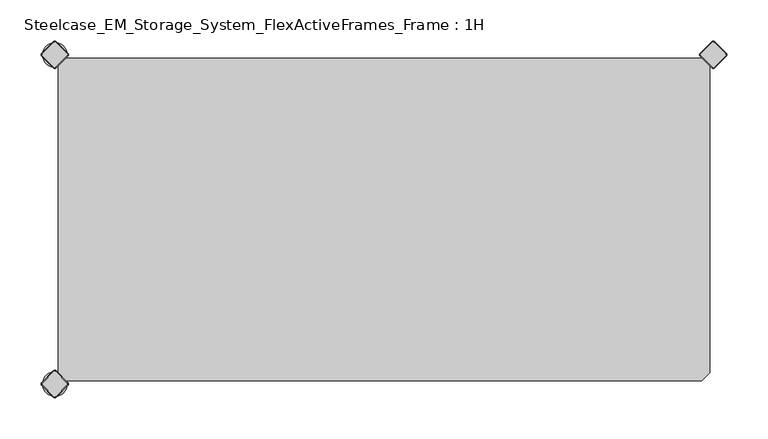
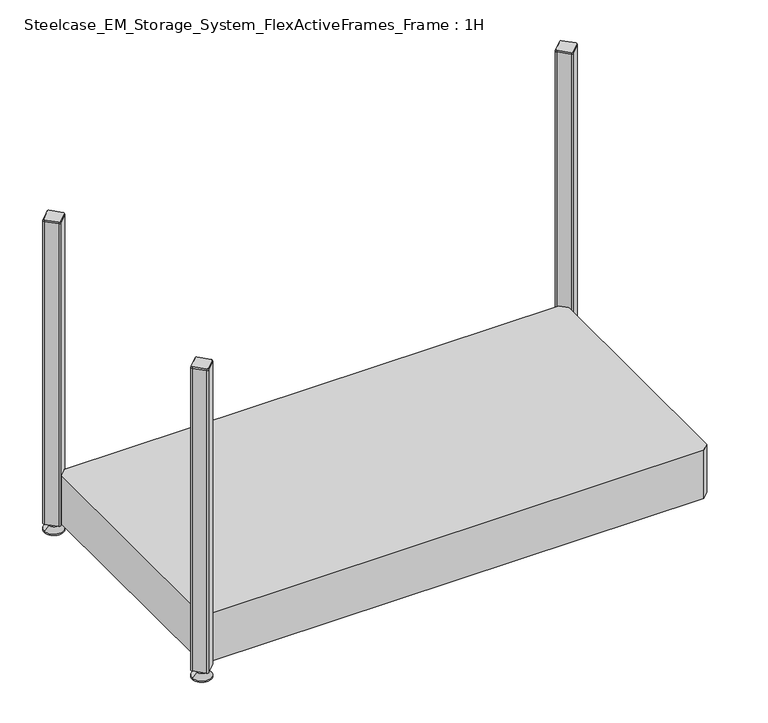
"""IFC4 building model written with IfcOpenShell, lengths in millimetres: furniture geometry, Steelcase_EM_Storage_System_FlexActiveFrames_Frame : 1H."""

import ifcopenshell
import ifcopenshell.guid

model = None  # the IFC model being written
_history = None  # IfcOwnerHistory: only IFC2X3 demands one
_inside = {}  # id of a spatial element -> (the spatial element, [elements in it])
_under = {}  # id of a project, library or spatial element -> (it, [spatial elements below it])
_declared = {}  # id of a project -> (the project, [libraries it declares])
_typed = {}  # id of a type object -> (the type object, [elements of that type])
_made_of = {}  # id of a material, layer set ... -> (it, [elements and type objects made of it])


def new_model(schema):
    """Start an empty IFC model of exactly this schema.

    Asked for "IFC4X3", IfcOpenShell would pick the latest addendum, in which some entities
    have other attributes; the version numbers below select the first issue.
    IFC2X3 requires an IfcOwnerHistory on every rooted entity: one is made here for all.
    """
    global model, _history
    if schema == "IFC4X3":
        model = ifcopenshell.file(schema_version=(4, 3, 0, 0))
    else:
        model = ifcopenshell.file(schema=schema)
    _inside.clear()
    _under.clear()
    _declared.clear()
    _typed.clear()
    _made_of.clear()
    _history = None
    if model.schema == "IFC2X3":
        org = make("IfcOrganization", Name="unknown")
        user = make(
            "IfcPersonAndOrganization",
            ThePerson=make("IfcPerson", FamilyName="unknown"),
            TheOrganization=org,
        )
        app = make(
            "IfcApplication",
            ApplicationDeveloper=org,
            Version="unknown",
            ApplicationFullName="unknown",
            ApplicationIdentifier="unknown",
        )
        _history = make(
            "IfcOwnerHistory",
            OwningUser=user,
            OwningApplication=app,
            ChangeAction="ADDED",
            CreationDate=0,
        )
    return model


def make(cls, **values):
    """One entity of the class cls with the attributes given. An attribute that is None is left unset."""
    return model.create_entity(
        cls, **{name: value for name, value in values.items() if value is not None}
    )


def rooted(cls, **values):
    """An entity with a GlobalId (a new one), such as an element, a storey or a relation."""
    return make(cls, GlobalId=ifcopenshell.guid.new(), OwnerHistory=_history, **values)


def si_unit(unit_type, name, prefix=None):
    """IfcSIUnit, for example si_unit("LENGTHUNIT", "METRE", prefix="MILLI")."""
    return make("IfcSIUnit", UnitType=unit_type, Prefix=prefix, Name=name)


def assignment(units):
    """IfcUnitAssignment: the units of a project."""
    return None if units is None else make("IfcUnitAssignment", Units=units)


def point(xyz):
    """IfcCartesianPoint."""
    return None if xyz is None else make("IfcCartesianPoint", Coordinates=xyz)


def direction(xyz):
    """IfcDirection."""
    return None if xyz is None else make("IfcDirection", DirectionRatios=xyz)


def frame(location, z_axis=None, x_axis=None):
    """IfcAxis2Placement3D, a coordinate frame: its origin and axes. An axis left out is left unset."""
    return make(
        "IfcAxis2Placement3D",
        Location=point(location),
        Axis=direction(z_axis),
        RefDirection=direction(x_axis),
    )


def frame_2d(location, x_axis=None):
    """IfcAxis2Placement2D, a coordinate frame in the plane: its origin and x axis."""
    return make(
        "IfcAxis2Placement2D", Location=point(location), RefDirection=direction(x_axis)
    )


def origin():
    """The frame at (0, 0, 0) with its axes left unset."""
    return frame((0.0, 0.0, 0.0))


def place(relative_to, where):
    """IfcLocalPlacement: puts the frame where relative to a parent placement (None: the world)."""
    return make(
        "IfcLocalPlacement", PlacementRelTo=relative_to, RelativePlacement=where
    )


def context(
    kind, dimensions, precision=None, world=None, true_north=None, identifier=None
):
    """IfcGeometricRepresentationContext, for example the 3D "Model" context."""
    return make(
        "IfcGeometricRepresentationContext",
        ContextIdentifier=identifier,
        ContextType=kind,
        CoordinateSpaceDimension=dimensions,
        Precision=precision,
        WorldCoordinateSystem=world,
        TrueNorth=true_north,
    )


def project(units=None, contexts=None):
    """IfcProject with its units and contexts."""
    return rooted(
        "IfcProject",
        Name="project",
        RepresentationContexts=contexts,
        UnitsInContext=assignment(units),
    )


def spatial(cls, under=None, at=None, **own):
    """A site, building, storey or space (cls), placed at a placement, below another one or the project."""
    s = rooted(cls, ObjectPlacement=at, **own)
    if under is not None:
        _under.setdefault(under.id(), (under, []))[1].append(s)
    return s


def polyline(points):
    """IfcPolyline through the points."""
    return make("IfcPolyline", Points=[point(p) for p in points])


def circle_curve(where, radius):
    """IfcCircle in the frame where."""
    return make("IfcCircle", Position=where, Radius=radius)


def trimmed(basis, trim1, trim2, sense, master):
    """IfcTrimmedCurve: the piece of a basis curve between two trims."""
    return make(
        "IfcTrimmedCurve",
        BasisCurve=basis,
        Trim1=trim1,
        Trim2=trim2,
        SenseAgreement=sense,
        MasterRepresentation=master,
    )


def segment(curve, same_sense, transition):
    """IfcCompositeCurveSegment."""
    return make(
        "IfcCompositeCurveSegment",
        Transition=transition,
        SameSense=same_sense,
        ParentCurve=curve,
    )


def composite_curve(segments, self_intersect=None):
    """IfcCompositeCurve: segments joined end to end."""
    return make("IfcCompositeCurve", Segments=segments, SelfIntersect=self_intersect)


def outline(outer, holes=None, kind="AREA"):
    """IfcArbitraryClosedProfileDef: a profile drawn as a closed curve; with holes, ...WithVoids."""
    if holes is None:
        return make("IfcArbitraryClosedProfileDef", ProfileType=kind, OuterCurve=outer)
    return make(
        "IfcArbitraryProfileDefWithVoids",
        ProfileType=kind,
        OuterCurve=outer,
        InnerCurves=holes,
    )


def extrude(swept, where, along, depth):
    """IfcExtrudedAreaSolid: the profile swept, set in the frame where, extruded along a direction by depth."""
    return make(
        "IfcExtrudedAreaSolid",
        SweptArea=swept,
        Position=where,
        ExtrudedDirection=direction(along),
        Depth=depth,
    )


def shape(context_of_items, identifier, shape_type, items):
    """IfcShapeRepresentation: the items that make up one representation, for example the "Body"."""
    return make(
        "IfcShapeRepresentation",
        ContextOfItems=context_of_items,
        RepresentationIdentifier=identifier,
        RepresentationType=shape_type,
        Items=items,
    )


def source(mapping_origin, context_of_items, identifier, shape_type, items):
    """IfcRepresentationMap: a shape defined once, which mapped items show again and again."""
    return make(
        "IfcRepresentationMap",
        MappingOrigin=mapping_origin,
        MappedRepresentation=shape(context_of_items, identifier, shape_type, items),
    )


def transform(
    local_origin,
    x_axis=None,
    y_axis=None,
    z_axis=None,
    scale=None,
    scale2=None,
    scale3=None,
    uniform=True,
):
    """IfcCartesianTransformationOperator3D, or its non-uniform kind. x_axis, y_axis, z_axis: its Axis1, 2, 3."""
    if uniform:
        return make(
            "IfcCartesianTransformationOperator3D",
            Axis1=direction(x_axis),
            Axis2=direction(y_axis),
            LocalOrigin=point(local_origin),
            Scale=scale,
            Axis3=direction(z_axis),
        )
    return make(
        "IfcCartesianTransformationOperator3DnonUniform",
        Axis1=direction(x_axis),
        Axis2=direction(y_axis),
        LocalOrigin=point(local_origin),
        Scale=scale,
        Axis3=direction(z_axis),
        Scale2=scale2,
        Scale3=scale3,
    )


def mapped(mapping_source, mapping_target):
    """IfcMappedItem: shows the shape of a source again, moved by a transform."""
    return make(
        "IfcMappedItem", MappingSource=mapping_source, MappingTarget=mapping_target
    )


def made_of(thing, what):
    """Note that an element or type object is made of a material, layer set ...; save() writes the relation."""
    if what is not None:
        _made_of.setdefault(what.id(), (what, []))[1].append(thing)
    return thing


def element(
    cls,
    number,
    at=None,
    inside=None,
    cuts=None,
    type_object=None,
    material=None,
    context=None,
    identifier="Body",
    shape_type=None,
    held_by="IfcProductDefinitionShape",
    body=None,
    shapes=None,
    **own,
):
    """One element of the class cls, such as IfcWall. Its Tag is "e" and its number.

    at: its placement. inside: the storey or other place that contains it. cuts: it is an
    opening in that element (IfcRelVoidsElement). A single representation is given by context,
    identifier, shape_type and body (its items); several are given by shapes. held_by: the class
    of the entity that holds the representations. save() writes the other relations.
    """
    e = rooted(cls, Tag="e%d" % number, ObjectPlacement=at, **own)
    if body is not None:
        shapes = [shape(context, identifier, shape_type, body)]
    if shapes is not None:
        e.Representation = make(held_by, Representations=shapes)
    if inside is not None:
        _inside.setdefault(inside.id(), (inside, []))[1].append(e)
    if cuts is not None:
        rooted(
            "IfcRelVoidsElement", RelatingBuildingElement=cuts, RelatedOpeningElement=e
        )
    if type_object is not None:
        _typed.setdefault(type_object.id(), (type_object, []))[1].append(e)
    return made_of(e, material)


def aggregate(whole, parts):
    """IfcRelAggregates: a whole, such as a stair, and the parts it consists of."""
    return rooted("IfcRelAggregates", RelatingObject=whole, RelatedObjects=parts)


def save(model, path):
    """Write the relations noted so far, then the file.

    IfcRelAggregates (storeys below a building ...), IfcRelContainedInSpatialStructure (elements
    in a storey), IfcRelDefinesByType, IfcRelAssociatesMaterial and IfcRelDeclares: one each for
    every whole, place, type object, material and project.
    """
    for whole, parts in _under.values():
        aggregate(whole, parts)
    for where, things in _inside.values():
        rooted(
            "IfcRelContainedInSpatialStructure",
            RelatedElements=things,
            RelatingStructure=where,
        )
    for kind, things in _typed.values():
        rooted("IfcRelDefinesByType", RelatedObjects=things, RelatingType=kind)
    for what, things in _made_of.values():
        rooted("IfcRelAssociatesMaterial", RelatedObjects=things, RelatingMaterial=what)
    for by, libraries in _declared.values():
        rooted("IfcRelDeclares", RelatingContext=by, RelatedDefinitions=libraries)
    model.write(path)


def plane_surface(at):
    """IfcPlane: the flat surface through the origin of the frame at, square to its z axis."""
    return make("IfcPlane", Position=at)


def cylinder_surface(at, radius):
    """IfcCylindricalSurface: all points at the distance radius from the z axis of the frame at."""
    return make("IfcCylindricalSurface", Position=at, Radius=radius)


def revolved_surface(curve, axis_point, axis_direction):
    """IfcSurfaceOfRevolution: the curve turned about the line through axis_point along axis_direction."""
    return make(
        "IfcSurfaceOfRevolution",
        SweptCurve=make("IfcArbitraryOpenProfileDef", ProfileType="CURVE", Curve=curve),
        AxisPosition=make("IfcAxis1Placement", Location=point(axis_point), Axis=direction(axis_direction)),
    )


def advanced_brep(points, edges, surfaces, faces):
    """IfcAdvancedBrep: a solid bounded by faces that lie on surfaces and meet in shared edges.

    An edge is (start, end): straight between two places in points (the first is 0);
    or (start, end, curve); or (start, end, curve, False) where it runs against its curve.
    A face is (place in surfaces, loops), or (place, loops, False) where it looks against
    its surface's normal. A loop lists edges by number (the first is 1), with a minus sign
    where the edge is run from its end to its start. The first loop is the outer one.
    """
    corners = [point(p) for p in points]
    vertices = [make("IfcVertexPoint", VertexGeometry=c) for c in corners]
    made = []
    for start, end, *more in edges:
        made.append(
            make(
                "IfcEdgeCurve",
                EdgeStart=vertices[start],
                EdgeEnd=vertices[end],
                EdgeGeometry=more[0] if more else make("IfcPolyline", Points=[corners[start], corners[end]]),
                SameSense=more[1] if len(more) > 1 else True,
            )
        )
    hull = []
    for where, loops, *sense in faces:
        bounds = []
        for j, loop in enumerate(loops):
            ring = [make("IfcOrientedEdge", EdgeElement=made[abs(k) - 1], Orientation=k > 0) for k in loop]
            bounds.append(
                make(
                    "IfcFaceOuterBound" if j == 0 else "IfcFaceBound",
                    Bound=make("IfcEdgeLoop", EdgeList=ring),
                    Orientation=True,
                )
            )
        hull.append(make("IfcAdvancedFace", Bounds=bounds, FaceSurface=surfaces[where], SameSense=sense[0] if sense else True))
    return make("IfcAdvancedBrep", Outer=make("IfcClosedShell", CfsFaces=hull))


def steelcase_em_storage_system_flexactiveframes_frame_1h_ec44cce8(model_context):
    return source(origin(), model_context, "Body", "SolidModel", [
        advanced_brep(
        [(798.7979185, 15.3442172, 517.0), (784.6557828, 1.2020815, 517.0), (784.6557828, -1.2020815, 517.0), (798.7979185, -15.3442172, 517.0), (801.2020815, -15.3442172, 517.0), (815.3442172, -1.2020815, 517.0), (815.3442172, 1.2020815, 517.0), (801.2020815, 15.3442172, 517.0), (798.232233, 15.9099026, 515.0), (801.767767, 15.9099026, 515.0), (815.9099026, 1.767767, 515.0), (815.9099026, -1.767767, 515.0), (801.767767, -15.9099026, 515.0), (798.232233, -15.9099026, 515.0), (784.0900974, -1.767767, 515.0), (784.0900974, 1.767767, 515.0)],
        [
            (0, 1),
            (1, 2, circle_curve(frame((785.8578644, 0.0, 517.0), z_axis=(0.0, 0.0, 1.0), x_axis=(-0.7071067811865536, 0.7071067811865415, 0.0)), 1.7)),
            (2, 3),
            (3, 4, circle_curve(frame((800.0, -14.1421356, 517.0), z_axis=(0.0, 0.0, 1.0), x_axis=(-0.7071067811865491, -0.707106781186546, 0.0)), 1.7)),
            (4, 5),
            (5, 6, circle_curve(frame((814.1421356, 0.0, 517.0), z_axis=(0.0, 0.0, 1.0), x_axis=(0.707106781186539, -0.7071067811865559, 0.0)), 1.7)),
            (6, 7),
            (7, 0, circle_curve(frame((800.0, 14.1421356, 517.0), z_axis=(0.0, 0.0, 1.0), x_axis=(0.7071067811865458, 0.7071067811865492, 0.0)), 1.7)),
            (8, 9, circle_curve(frame((800.0, 14.1421356, 515.0), z_axis=(0.0, 0.0, -1.0), x_axis=(0.7071067811865458, 0.7071067811865492, 0.0)), 2.5)),
            (9, 10),
            (10, 11, circle_curve(frame((814.1421356, 0.0, 515.0), z_axis=(0.0, 0.0, -1.0), x_axis=(0.707106781186539, -0.7071067811865559, 0.0)), 2.5)),
            (11, 12),
            (12, 13, circle_curve(frame((800.0, -14.1421356, 515.0), z_axis=(0.0, 0.0, -1.0), x_axis=(-0.7071067811865491, -0.707106781186546, 0.0)), 2.5)),
            (13, 14),
            (14, 15, circle_curve(frame((785.8578644, 0.0, 515.0), z_axis=(0.0, 0.0, -1.0), x_axis=(-0.7071067811865536, 0.7071067811865415, 0.0)), 2.5)),
            (15, 8),
            (15, 1),
            (0, 8),
            (14, 2),
            (13, 3),
            (12, 4),
            (11, 5),
            (10, 6),
            (9, 7),
        ],
        [
            plane_surface(frame((800.0, 0.0, 517.0), z_axis=(0.0, 0.0, 1.0), x_axis=(-0.7071067811865486, 0.7071067811865466, 0.0))),
            plane_surface(frame((800.0, 0.0, 515.0), z_axis=(0.0, 0.0, -1.0), x_axis=(-0.7071067811865486, 0.7071067811865466, 0.0))),
            plane_surface(frame((791.1611652, 8.8388348, 515.0), z_axis=(-0.6565321642986397, 0.6565321642986289, 0.37139067635402817), x_axis=(-0.7071067811865408, -0.7071067811865543, 0.0))),
            revolved_surface(polyline([(784.65578284, 1.20208156, 517.0), (784.0900974, 1.767767, 515.0)]), (785.8578644, 0.0, 521.25), (0.0, 0.0, -1.0)),
            plane_surface(frame((791.1611652, -8.8388348, 515.0), z_axis=(-0.6565321642986315, -0.6565321642986421, 0.3713906763540188), x_axis=(0.7071067811865523, -0.7071067811865428, 0.0))),
            revolved_surface(polyline([(798.79791844, -15.34421716, 517.0), (798.232233, -15.9099026, 515.0)]), (800.0, -14.1421356, 521.25), (0.0, 0.0, -1.0)),
            plane_surface(frame((808.8388348, -8.8388348, 515.0), z_axis=(0.6565321642986299, -0.656532164298642, 0.3713906763540221), x_axis=(0.7071067811865541, 0.707106781186541, 0.0))),
            revolved_surface(polyline([(815.34421716, -1.20208156, 517.0), (815.9099026, -1.767767, 515.0)]), (814.1421356, 0.0, 521.25), (0.0, 0.0, -1.0)),
            plane_surface(frame((808.8388348, 8.8388348, 515.0), z_axis=(0.6565321642986411, 0.6565321642986284, 0.37139067635402634), x_axis=(-0.7071067811865407, 0.7071067811865545, 0.0))),
            revolved_surface(polyline([(801.20208156, 15.34421716, 517.0), (801.767767, 15.9099026, 515.0)]), (800.0, 14.1421356, 521.25), (0.0, 0.0, -1.0)),
        ],
        [
            (0, [[1, 2, 3, 4, 5, 6, 7, 8]]),
            (1, [[9, 10, 11, 12, 13, 14, 15, 16]]),
            (2, [[-16, 17, -1, 18]]),
            (3, [[-15, 19, -2, -17]]),
            (4, [[-14, 20, -3, -19]]),
            (5, [[-13, 21, -4, -20]]),
            (6, [[-12, 22, -5, -21]]),
            (7, [[-11, 23, -6, -22]]),
            (8, [[-10, 24, -7, -23]]),
            (9, [[-9, -18, -8, -24]]),
        ],
    ),
        extrude(outline(composite_curve([segment(trimmed(circle_curve(frame_2d((814.1421356, 0.0)), 2.5), [point((815.9099026, 1.767767))], [point((815.9099026, -1.767767))], False, "CARTESIAN"), True, "CONTINUOUS"), segment(polyline([(815.9099026, -1.767767), (801.767767, -15.9099026)]), True, "CONTINUOUS"), segment(trimmed(circle_curve(frame_2d((800.0, -14.1421356)), 2.5), [point((801.767767, -15.9099026))], [point((798.232233, -15.9099026))], False, "CARTESIAN"), True, "CONTINUOUS"), segment(polyline([(798.232233, -15.9099026), (784.0900974, -1.767767)]), True, "CONTINUOUS"), segment(trimmed(circle_curve(frame_2d((785.8578644, 0.0)), 2.5), [point((784.0900974, -1.767767))], [point((784.0900974, 1.767767))], False, "CARTESIAN"), True, "CONTINUOUS"), segment(polyline([(784.0900974, 1.767767), (798.232233, 15.9099026)]), True, "CONTINUOUS"), segment(trimmed(circle_curve(frame_2d((800.0, 14.1421356)), 2.5), [point((798.232233, 15.9099026))], [point((801.767767, 15.9099026))], False, "CARTESIAN"), True, "CONTINUOUS"), segment(polyline([(801.767767, 15.9099026), (815.9099026, 1.767767)]), True, "CONTINUOUS")], self_intersect=False)), frame((0.0, 0.0, 15.0), z_axis=(0.0, 0.0, 1.0), x_axis=(1.0, 0.0, 0.0)), (0.0, 0.0, 1.0), 500.0),
        advanced_brep(
        [(-15.0, -400.0, 0.0), (15.0, -400.0, 0.0), (0.0, -400.0, 0.0), (-15.0, -400.0, 2.0), (15.0, -400.0, 2.0), (-8.0, -400.0, 9.0), (8.0, -400.0, 9.0), (-4.0, -400.0, 9.0), (4.0, -400.0, 9.0), (-4.0, -400.0, 15.0), (4.0, -400.0, 15.0), (0.0, -400.0, 15.0)],
        [
            (0, 1, circle_curve(frame((0.0, -400.0, 0.0), z_axis=(0.0, 0.0, -1.0), x_axis=(1.0, 0.0, 0.0)), 15.0)),
            (1, 2),
            (2, 0),
            (1, 0, circle_curve(frame((0.0, -400.0, 0.0), z_axis=(0.0, 0.0, -1.0), x_axis=(1.0, 0.0, 0.0)), 15.0)),
            (3, 4, circle_curve(frame((0.0, -400.0, 2.0), z_axis=(0.0, 0.0, -1.0), x_axis=(1.0, 0.0, 0.0)), 15.0)),
            (4, 1),
            (0, 3),
            (4, 3, circle_curve(frame((0.0, -400.0, 2.0), z_axis=(0.0, 0.0, -1.0), x_axis=(1.0, 0.0, 0.0)), 15.0)),
            (5, 6, circle_curve(frame((0.0, -400.0, 9.0), z_axis=(0.0, 0.0, -1.0), x_axis=(1.0, 0.0, 0.0)), 8.0)),
            (6, 4),
            (3, 5),
            (6, 5, circle_curve(frame((0.0, -400.0, 9.0), z_axis=(0.0, 0.0, -1.0), x_axis=(1.0, 0.0, 0.0)), 8.0)),
            (7, 8, circle_curve(frame((0.0, -400.0, 9.0), z_axis=(0.0, 0.0, -1.0), x_axis=(1.0, 0.0, 0.0)), 4.0)),
            (8, 6),
            (5, 7),
            (8, 7, circle_curve(frame((0.0, -400.0, 9.0), z_axis=(0.0, 0.0, -1.0), x_axis=(1.0, 0.0, 0.0)), 4.0)),
            (9, 10, circle_curve(frame((0.0, -400.0, 15.0), z_axis=(0.0, 0.0, -1.0), x_axis=(1.0, 0.0, 0.0)), 4.0)),
            (10, 8),
            (7, 9),
            (10, 9, circle_curve(frame((0.0, -400.0, 15.0), z_axis=(0.0, 0.0, -1.0), x_axis=(1.0, 0.0, 0.0)), 4.0)),
            (11, 10),
            (9, 11),
        ],
        [
            plane_surface(frame((0.0, -400.0, 0.0), z_axis=(0.0, 0.0, -1.0), x_axis=(1.0, 0.0, 0.0))),
            cylinder_surface(frame((0.0, -400.0, 18.6083303), z_axis=(0.0, 0.0, 1.0), x_axis=(1.0, 0.0, 0.0)), 15.0),
            revolved_surface(polyline([(15.0, -400.0, 2.0), (8.0, -400.0, 9.0)]), (0.0, -400.0, 18.6083303), (0.0, 0.0, 1.0)),
            plane_surface(frame((0.0, -400.0, 9.0), z_axis=(0.0, 0.0, 1.0), x_axis=(1.0, 0.0, 0.0))),
            cylinder_surface(frame((0.0, -400.0, 18.6083303), z_axis=(0.0, 0.0, 1.0), x_axis=(1.0, 0.0, 0.0)), 4.0),
            plane_surface(frame((0.0, -400.0, 15.0), z_axis=(0.0, 0.0, 1.0), x_axis=(1.0, 0.0, 0.0))),
        ],
        [
            (0, [[1, 2, 3]]),
            (0, [[4, -3, -2]]),
            (1, [[5, 6, -1, 7]]),
            (1, [[8, -7, -4, -6]]),
            (2, [[9, 10, -5, 11]]),
            (2, [[12, -11, -8, -10]]),
            (3, [[13, 14, -9, 15]]),
            (3, [[16, -15, -12, -14]]),
            (4, [[17, 18, -13, 19]]),
            (4, [[20, -19, -16, -18]]),
            (5, [[21, -17, 22]]),
            (5, [[-22, -20, -21]]),
        ],
    ),
        advanced_brep(
        [(-1.2020815, -384.6557828, 517.0), (-15.3442172, -398.7979185, 517.0), (-15.3442172, -401.2020815, 517.0), (-1.2020815, -415.3442172, 517.0), (1.2020815, -415.3442172, 517.0), (15.3442172, -401.2020815, 517.0), (15.3442172, -398.7979185, 517.0), (1.2020815, -384.6557828, 517.0), (-1.767767, -384.0900974, 515.0), (1.767767, -384.0900974, 515.0), (15.9099026, -398.232233, 515.0), (15.9099026, -401.767767, 515.0), (1.767767, -415.9099026, 515.0), (-1.767767, -415.9099026, 515.0), (-15.9099026, -401.767767, 515.0), (-15.9099026, -398.232233, 515.0)],
        [
            (0, 1),
            (1, 2, circle_curve(frame((-14.1421356, -400.0, 517.0), z_axis=(0.0, 0.0, 1.0), x_axis=(-0.7071067811865536, 0.7071067811865415, 0.0)), 1.7)),
            (2, 3),
            (3, 4, circle_curve(frame((0.0, -414.1421356, 517.0), z_axis=(0.0, 0.0, 1.0), x_axis=(-0.7071067811865491, -0.707106781186546, 0.0)), 1.7)),
            (4, 5),
            (5, 6, circle_curve(frame((14.1421356, -400.0, 517.0), z_axis=(0.0, 0.0, 1.0), x_axis=(0.707106781186539, -0.7071067811865559, 0.0)), 1.7)),
            (6, 7),
            (7, 0, circle_curve(frame((0.0, -385.8578644, 517.0), z_axis=(0.0, 0.0, 1.0), x_axis=(0.7071067811865458, 0.7071067811865492, 0.0)), 1.7)),
            (8, 9, circle_curve(frame((0.0, -385.8578644, 515.0), z_axis=(0.0, 0.0, -1.0), x_axis=(0.7071067811865458, 0.7071067811865492, 0.0)), 2.5)),
            (9, 10),
            (10, 11, circle_curve(frame((14.1421356, -400.0, 515.0), z_axis=(0.0, 0.0, -1.0), x_axis=(0.707106781186539, -0.7071067811865559, 0.0)), 2.5)),
            (11, 12),
            (12, 13, circle_curve(frame((0.0, -414.1421356, 515.0), z_axis=(0.0, 0.0, -1.0), x_axis=(-0.7071067811865491, -0.707106781186546, 0.0)), 2.5)),
            (13, 14),
            (14, 15, circle_curve(frame((-14.1421356, -400.0, 515.0), z_axis=(0.0, 0.0, -1.0), x_axis=(-0.7071067811865536, 0.7071067811865415, 0.0)), 2.5)),
            (15, 8),
            (15, 1),
            (0, 8),
            (14, 2),
            (13, 3),
            (12, 4),
            (11, 5),
            (10, 6),
            (9, 7),
        ],
        [
            plane_surface(frame((0.0, -400.0, 517.0), z_axis=(0.0, 0.0, 1.0), x_axis=(-0.7071067811865486, 0.7071067811865466, 0.0))),
            plane_surface(frame((0.0, -400.0, 515.0), z_axis=(0.0, 0.0, -1.0), x_axis=(-0.7071067811865486, 0.7071067811865466, 0.0))),
            plane_surface(frame((-8.8388348, -391.1611652, 515.0), z_axis=(-0.6565321642986397, 0.6565321642986289, 0.37139067635402817), x_axis=(-0.7071067811865408, -0.7071067811865543, 0.0))),
            revolved_surface(polyline([(-15.34421716, -398.79791844, 517.0), (-15.9099026, -398.232233, 515.0)]), (-14.1421356, -400.0, 521.25), (0.0, 0.0, -1.0)),
            plane_surface(frame((-8.8388348, -408.8388348, 515.0), z_axis=(-0.6565321642986315, -0.6565321642986421, 0.3713906763540188), x_axis=(0.7071067811865523, -0.7071067811865428, 0.0))),
            revolved_surface(polyline([(-1.20208156, -415.34421716, 517.0), (-1.767767, -415.9099026, 515.0)]), (0.0, -414.1421356, 521.25), (0.0, 0.0, -1.0)),
            plane_surface(frame((8.8388348, -408.8388348, 515.0), z_axis=(0.6565321642986299, -0.656532164298642, 0.3713906763540221), x_axis=(0.7071067811865541, 0.707106781186541, 0.0))),
            revolved_surface(polyline([(15.34421716, -401.20208156, 517.0), (15.9099026, -401.767767, 515.0)]), (14.1421356, -400.0, 521.25), (0.0, 0.0, -1.0)),
            plane_surface(frame((8.8388348, -391.1611652, 515.0), z_axis=(0.6565321642986411, 0.6565321642986284, 0.37139067635402634), x_axis=(-0.7071067811865407, 0.7071067811865545, 0.0))),
            revolved_surface(polyline([(1.20208156, -384.65578284, 517.0), (1.767767, -384.0900974, 515.0)]), (0.0, -385.8578644, 521.25), (0.0, 0.0, -1.0)),
        ],
        [
            (0, [[1, 2, 3, 4, 5, 6, 7, 8]]),
            (1, [[9, 10, 11, 12, 13, 14, 15, 16]]),
            (2, [[-16, 17, -1, 18]]),
            (3, [[-15, 19, -2, -17]]),
            (4, [[-14, 20, -3, -19]]),
            (5, [[-13, 21, -4, -20]]),
            (6, [[-12, 22, -5, -21]]),
            (7, [[-11, 23, -6, -22]]),
            (8, [[-10, 24, -7, -23]]),
            (9, [[-9, -18, -8, -24]]),
        ],
    ),
        extrude(outline(composite_curve([segment(trimmed(circle_curve(frame_2d((14.1421356, -400.0)), 2.5), [point((15.9099026, -398.232233))], [point((15.9099026, -401.767767))], False, "CARTESIAN"), True, "CONTINUOUS"), segment(polyline([(15.9099026, -401.767767), (1.767767, -415.9099026)]), True, "CONTINUOUS"), segment(trimmed(circle_curve(frame_2d((0.0, -414.1421356)), 2.5), [point((1.767767, -415.9099026))], [point((-1.767767, -415.9099026))], False, "CARTESIAN"), True, "CONTINUOUS"), segment(polyline([(-1.767767, -415.9099026), (-15.9099026, -401.767767)]), True, "CONTINUOUS"), segment(trimmed(circle_curve(frame_2d((-14.1421356, -400.0)), 2.5), [point((-15.9099026, -401.767767))], [point((-15.9099026, -398.232233))], False, "CARTESIAN"), True, "CONTINUOUS"), segment(polyline([(-15.9099026, -398.232233), (-1.767767, -384.0900974)]), True, "CONTINUOUS"), segment(trimmed(circle_curve(frame_2d((0.0, -385.8578644)), 2.5), [point((-1.767767, -384.0900974))], [point((1.767767, -384.0900974))], False, "CARTESIAN"), True, "CONTINUOUS"), segment(polyline([(1.767767, -384.0900974), (15.9099026, -398.232233)]), True, "CONTINUOUS")], self_intersect=False)), frame((0.0, 0.0, 15.0), z_axis=(0.0, 0.0, 1.0), x_axis=(1.0, 0.0, 0.0)), (0.0, 0.0, 1.0), 500.0),
        advanced_brep(
        [(-15.0, 0.0, 0.0), (15.0, 0.0, 0.0), (0.0, 0.0, 0.0), (-15.0, 0.0, 2.0), (15.0, 0.0, 2.0), (-8.0, 0.0, 9.0), (8.0, 0.0, 9.0), (-4.0, 0.0, 9.0), (4.0, 0.0, 9.0), (-4.0, 0.0, 15.0), (4.0, 0.0, 15.0), (0.0, 0.0, 15.0)],
        [
            (0, 1, circle_curve(frame((0.0, 0.0, 0.0), z_axis=(0.0, 0.0, -1.0), x_axis=(1.0, 0.0, 0.0)), 15.0)),
            (1, 2),
            (2, 0),
            (1, 0, circle_curve(frame((0.0, 0.0, 0.0), z_axis=(0.0, 0.0, -1.0), x_axis=(1.0, 0.0, 0.0)), 15.0)),
            (3, 4, circle_curve(frame((0.0, 0.0, 2.0), z_axis=(0.0, 0.0, -1.0), x_axis=(1.0, 0.0, 0.0)), 15.0)),
            (4, 1),
            (0, 3),
            (4, 3, circle_curve(frame((0.0, 0.0, 2.0), z_axis=(0.0, 0.0, -1.0), x_axis=(1.0, 0.0, 0.0)), 15.0)),
            (5, 6, circle_curve(frame((0.0, 0.0, 9.0), z_axis=(0.0, 0.0, -1.0), x_axis=(1.0, 0.0, 0.0)), 8.0)),
            (6, 4),
            (3, 5),
            (6, 5, circle_curve(frame((0.0, 0.0, 9.0), z_axis=(0.0, 0.0, -1.0), x_axis=(1.0, 0.0, 0.0)), 8.0)),
            (7, 8, circle_curve(frame((0.0, 0.0, 9.0), z_axis=(0.0, 0.0, -1.0), x_axis=(1.0, 0.0, 0.0)), 4.0)),
            (8, 6),
            (5, 7),
            (8, 7, circle_curve(frame((0.0, 0.0, 9.0), z_axis=(0.0, 0.0, -1.0), x_axis=(1.0, 0.0, 0.0)), 4.0)),
            (9, 10, circle_curve(frame((0.0, 0.0, 15.0), z_axis=(0.0, 0.0, -1.0), x_axis=(1.0, 0.0, 0.0)), 4.0)),
            (10, 8),
            (7, 9),
            (10, 9, circle_curve(frame((0.0, 0.0, 15.0), z_axis=(0.0, 0.0, -1.0), x_axis=(1.0, 0.0, 0.0)), 4.0)),
            (11, 10),
            (9, 11),
        ],
        [
            plane_surface(frame((0.0, 0.0, 0.0), z_axis=(0.0, 0.0, -1.0), x_axis=(1.0, 0.0, 0.0))),
            cylinder_surface(frame((0.0, 0.0, 18.6083303), z_axis=(0.0, 0.0, 1.0), x_axis=(1.0, 0.0, 0.0)), 15.0),
            revolved_surface(polyline([(15.0, 0.0, 2.0), (8.0, 0.0, 9.0)]), (0.0, 0.0, 18.6083303), (0.0, 0.0, 1.0)),
            plane_surface(frame((0.0, 0.0, 9.0), z_axis=(0.0, 0.0, 1.0), x_axis=(1.0, 0.0, 0.0))),
            cylinder_surface(frame((0.0, 0.0, 18.6083303), z_axis=(0.0, 0.0, 1.0), x_axis=(1.0, 0.0, 0.0)), 4.0),
            plane_surface(frame((0.0, 0.0, 15.0), z_axis=(0.0, 0.0, 1.0), x_axis=(1.0, 0.0, 0.0))),
        ],
        [
            (0, [[1, 2, 3]]),
            (0, [[4, -3, -2]]),
            (1, [[5, 6, -1, 7]]),
            (1, [[8, -7, -4, -6]]),
            (2, [[9, 10, -5, 11]]),
            (2, [[12, -11, -8, -10]]),
            (3, [[13, 14, -9, 15]]),
            (3, [[16, -15, -12, -14]]),
            (4, [[17, 18, -13, 19]]),
            (4, [[20, -19, -16, -18]]),
            (5, [[21, -17, 22]]),
            (5, [[-22, -20, -21]]),
        ],
    ),
        advanced_brep(
        [(-1.2020815, 15.3442172, 517.0), (-15.3442172, 1.2020815, 517.0), (-15.3442172, -1.2020815, 517.0), (-1.2020815, -15.3442172, 517.0), (1.2020815, -15.3442172, 517.0), (15.3442172, -1.2020815, 517.0), (15.3442172, 1.2020815, 517.0), (1.2020815, 15.3442172, 517.0), (-1.767767, 15.9099026, 515.0), (1.767767, 15.9099026, 515.0), (15.9099026, 1.767767, 515.0), (15.9099026, -1.767767, 515.0), (1.767767, -15.9099026, 515.0), (-1.767767, -15.9099026, 515.0), (-15.9099026, -1.767767, 515.0), (-15.9099026, 1.767767, 515.0)],
        [
            (0, 1),
            (1, 2, circle_curve(frame((-14.1421356, 0.0, 517.0), z_axis=(0.0, 0.0, 1.0), x_axis=(-0.7071067811865536, 0.7071067811865415, 0.0)), 1.7)),
            (2, 3),
            (3, 4, circle_curve(frame((0.0, -14.1421356, 517.0), z_axis=(0.0, 0.0, 1.0), x_axis=(-0.7071067811865491, -0.707106781186546, 0.0)), 1.7)),
            (4, 5),
            (5, 6, circle_curve(frame((14.1421356, 0.0, 517.0), z_axis=(0.0, 0.0, 1.0), x_axis=(0.707106781186539, -0.7071067811865559, 0.0)), 1.7)),
            (6, 7),
            (7, 0, circle_curve(frame((0.0, 14.1421356, 517.0), z_axis=(0.0, 0.0, 1.0), x_axis=(0.7071067811865458, 0.7071067811865492, 0.0)), 1.7)),
            (8, 9, circle_curve(frame((0.0, 14.1421356, 515.0), z_axis=(0.0, 0.0, -1.0), x_axis=(0.7071067811865458, 0.7071067811865492, 0.0)), 2.5)),
            (9, 10),
            (10, 11, circle_curve(frame((14.1421356, 0.0, 515.0), z_axis=(0.0, 0.0, -1.0), x_axis=(0.707106781186539, -0.7071067811865559, 0.0)), 2.5)),
            (11, 12),
            (12, 13, circle_curve(frame((0.0, -14.1421356, 515.0), z_axis=(0.0, 0.0, -1.0), x_axis=(-0.7071067811865491, -0.707106781186546, 0.0)), 2.5)),
            (13, 14),
            (14, 15, circle_curve(frame((-14.1421356, 0.0, 515.0), z_axis=(0.0, 0.0, -1.0), x_axis=(-0.7071067811865536, 0.7071067811865415, 0.0)), 2.5)),
            (15, 8),
            (15, 1),
            (0, 8),
            (14, 2),
            (13, 3),
            (12, 4),
            (11, 5),
            (10, 6),
            (9, 7),
        ],
        [
            plane_surface(frame((0.0, 0.0, 517.0), z_axis=(0.0, 0.0, 1.0), x_axis=(-0.7071067811865486, 0.7071067811865466, 0.0))),
            plane_surface(frame((0.0, 0.0, 515.0), z_axis=(0.0, 0.0, -1.0), x_axis=(-0.7071067811865486, 0.7071067811865466, 0.0))),
            plane_surface(frame((-8.8388348, 8.8388348, 515.0), z_axis=(-0.6565321642986397, 0.6565321642986289, 0.37139067635402817), x_axis=(-0.7071067811865408, -0.7071067811865543, 0.0))),
            revolved_surface(polyline([(-15.34421716, 1.20208156, 517.0), (-15.9099026, 1.767767, 515.0)]), (-14.1421356, 0.0, 521.25), (0.0, 0.0, -1.0)),
            plane_surface(frame((-8.8388348, -8.8388348, 515.0), z_axis=(-0.6565321642986315, -0.6565321642986421, 0.3713906763540188), x_axis=(0.7071067811865523, -0.7071067811865428, 0.0))),
            revolved_surface(polyline([(-1.20208156, -15.34421716, 517.0), (-1.767767, -15.9099026, 515.0)]), (0.0, -14.1421356, 521.25), (0.0, 0.0, -1.0)),
            plane_surface(frame((8.8388348, -8.8388348, 515.0), z_axis=(0.6565321642986299, -0.656532164298642, 0.3713906763540221), x_axis=(0.7071067811865541, 0.707106781186541, 0.0))),
            revolved_surface(polyline([(15.34421716, -1.20208156, 517.0), (15.9099026, -1.767767, 515.0)]), (14.1421356, 0.0, 521.25), (0.0, 0.0, -1.0)),
            plane_surface(frame((8.8388348, 8.8388348, 515.0), z_axis=(0.6565321642986411, 0.6565321642986284, 0.37139067635402634), x_axis=(-0.7071067811865407, 0.7071067811865545, 0.0))),
            revolved_surface(polyline([(1.20208156, 15.34421716, 517.0), (1.767767, 15.9099026, 515.0)]), (0.0, 14.1421356, 521.25), (0.0, 0.0, -1.0)),
        ],
        [
            (0, [[1, 2, 3, 4, 5, 6, 7, 8]]),
            (1, [[9, 10, 11, 12, 13, 14, 15, 16]]),
            (2, [[-16, 17, -1, 18]]),
            (3, [[-15, 19, -2, -17]]),
            (4, [[-14, 20, -3, -19]]),
            (5, [[-13, 21, -4, -20]]),
            (6, [[-12, 22, -5, -21]]),
            (7, [[-11, 23, -6, -22]]),
            (8, [[-10, 24, -7, -23]]),
            (9, [[-9, -18, -8, -24]]),
        ],
    ),
        extrude(outline(composite_curve([segment(trimmed(circle_curve(frame_2d((14.1421356, 0.0)), 2.5), [point((15.9099026, 1.767767))], [point((15.9099026, -1.767767))], False, "CARTESIAN"), True, "CONTINUOUS"), segment(polyline([(15.9099026, -1.767767), (1.767767, -15.9099026)]), True, "CONTINUOUS"), segment(trimmed(circle_curve(frame_2d((0.0, -14.1421356)), 2.5), [point((1.767767, -15.9099026))], [point((-1.767767, -15.9099026))], False, "CARTESIAN"), True, "CONTINUOUS"), segment(polyline([(-1.767767, -15.9099026), (-15.9099026, -1.767767)]), True, "CONTINUOUS"), segment(trimmed(circle_curve(frame_2d((-14.1421356, 0.0)), 2.5), [point((-15.9099026, -1.767767))], [point((-15.9099026, 1.767767))], False, "CARTESIAN"), True, "CONTINUOUS"), segment(polyline([(-15.9099026, 1.767767), (-1.767767, 15.9099026)]), True, "CONTINUOUS"), segment(trimmed(circle_curve(frame_2d((0.0, 14.1421356)), 2.5), [point((-1.767767, 15.9099026))], [point((1.767767, 15.9099026))], False, "CARTESIAN"), True, "CONTINUOUS"), segment(polyline([(1.767767, 15.9099026), (15.9099026, 1.767767)]), True, "CONTINUOUS")], self_intersect=False)), frame((0.0, 0.0, 15.0), z_axis=(0.0, 0.0, 1.0), x_axis=(1.0, 0.0, 0.0)), (0.0, 0.0, 1.0), 500.0),
        extrude(outline(polyline([(4.0, -13.6776695), (13.6776695, -4.0), (786.3223305, -4.0), (796.0, -13.6776695), (796.0, -386.3223305), (786.3223305, -396.0), (13.6776695, -396.0), (4.0, -386.3223305), (4.0, -13.6776695)])), frame((0.0, 0.0, 16.0), z_axis=(0.0, 0.0, 1.0), x_axis=(1.0, 0.0, 0.0)), (0.0, 0.0, 1.0), 80.0),
    ])


if __name__ == "__main__":
    model = new_model("IFC4")
    model_context = context("Model", 3, world=origin())
    ifc_project = project(units=[si_unit("LENGTHUNIT", "METRE", prefix="MILLI")], contexts=[model_context])
    site = spatial("IfcSite", under=ifc_project)
    building = spatial("IfcBuilding", under=site)
    placement = place(None, origin())
    steelcase_em_storage_system_flexactiveframes_frame_1h_shape = steelcase_em_storage_system_flexactiveframes_frame_1h_ec44cce8(model_context)
    element("IfcFurniture", 1, ObjectType="Steelcase_EM_Storage_System_FlexActiveFrames_Frame : 1H", at=placement, inside=building, context=model_context, shape_type="MappedRepresentation", body=[
        mapped(steelcase_em_storage_system_flexactiveframes_frame_1h_shape, transform((0.0, 0.0, 0.0), x_axis=(1.0, 0.0, 0.0), y_axis=(0.0, 1.0, 0.0), z_axis=(0.0, 0.0, 1.0))),
    ])
    save(model, "model.ifc")
